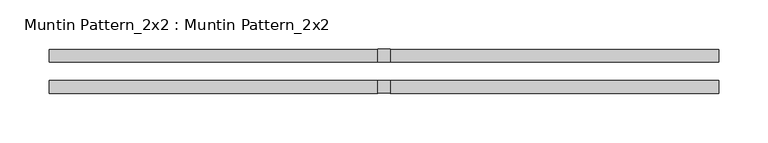
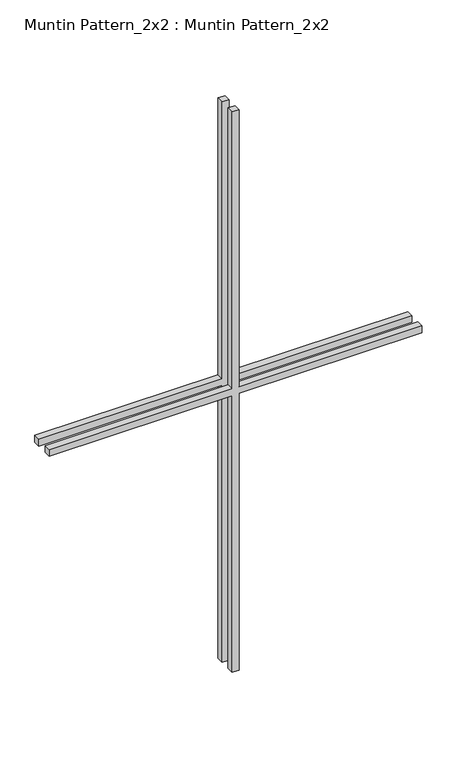
"""IFC4 building model written with IfcOpenShell, lengths in millimetres: proxy geometry, Muntin Pattern_2x2 : Muntin Pattern_2x2."""

from ifc_helpers import new_model, si_unit, frame, origin, place, context, project, spatial, polyline, outline, extrude, source, transform, mapped, element, save


def muntin_pattern_2x2_muntin_pattern_2x2_3179e719(model_context):
    return source(origin(), model_context, "Body", "SweptSolid", [
        extrude(outline(polyline([(542.925, -6.35), (542.925, -338.1375), (530.225, -338.1375), (530.225, -6.35), (0.0, -6.35), (0.0, 6.35), (530.225, 6.35), (530.225, 338.1375), (542.925, 338.1375), (542.925, 6.35), (1073.15, 6.35), (1073.15, -6.35), (542.925, -6.35)])), frame((0.0, 9.525, 0.0), z_axis=(0.0, 1.0, 0.0), x_axis=(0.0, 0.0, 1.0)), (0.0, 0.0, 1.0), 12.7),
        extrude(outline(polyline([(542.925, -6.35), (542.925, -338.1375), (530.225, -338.1375), (530.225, -6.35), (0.0, -6.35), (0.0, 6.35), (530.225, 6.35), (530.225, 338.1375), (542.925, 338.1375), (542.925, 6.35), (1073.15, 6.35), (1073.15, -6.35), (542.925, -6.35)])), frame((0.0, -22.225, 0.0), z_axis=(0.0, 1.0, 0.0), x_axis=(0.0, 0.0, 1.0)), (0.0, 0.0, 1.0), 12.7),
    ])


if __name__ == "__main__":
    model = new_model("IFC4")
    model_context = context("Model", 3, world=origin())
    ifc_project = project(units=[si_unit("LENGTHUNIT", "METRE", prefix="MILLI")], contexts=[model_context])
    site = spatial("IfcSite", under=ifc_project)
    building = spatial("IfcBuilding", under=site)
    placement = place(None, origin())
    muntin_pattern_2x2_muntin_pattern_2x2_shape = muntin_pattern_2x2_muntin_pattern_2x2_3179e719(model_context)
    element("IfcBuildingElementProxy", 1, Name="Muntin Pattern_2x2 : Muntin Pattern_2x2", ObjectType="Muntin Pattern_2x2 : Muntin Pattern_2x2", at=placement, inside=building, context=model_context, shape_type="MappedRepresentation", body=[
        mapped(muntin_pattern_2x2_muntin_pattern_2x2_shape, transform((0.0, 0.0, 0.0), x_axis=(1.0, 0.0, 0.0), y_axis=(0.0, 1.0, 0.0), z_axis=(0.0, 0.0, 1.0))),
    ])
    save(model, "model.ifc")
